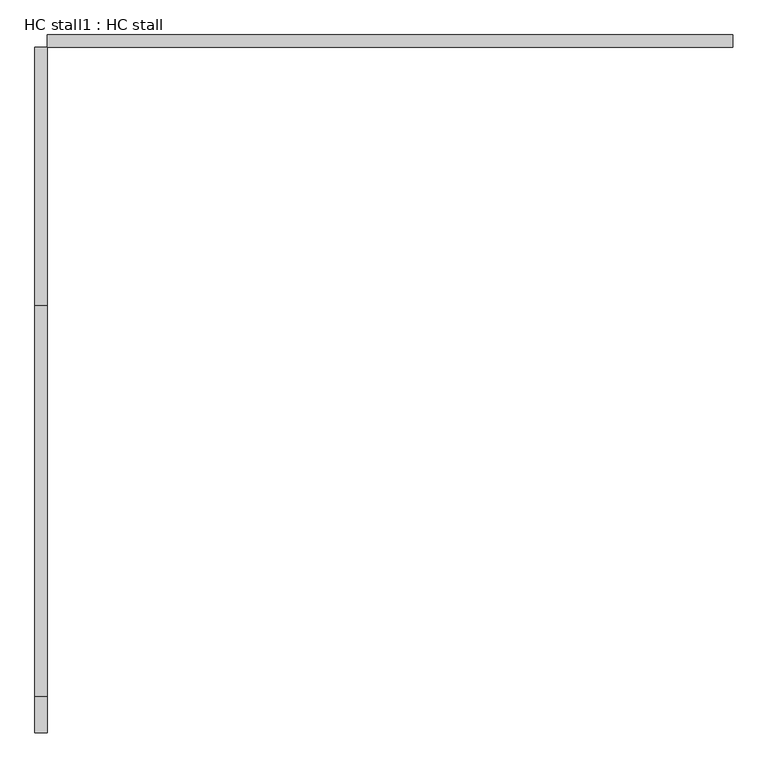
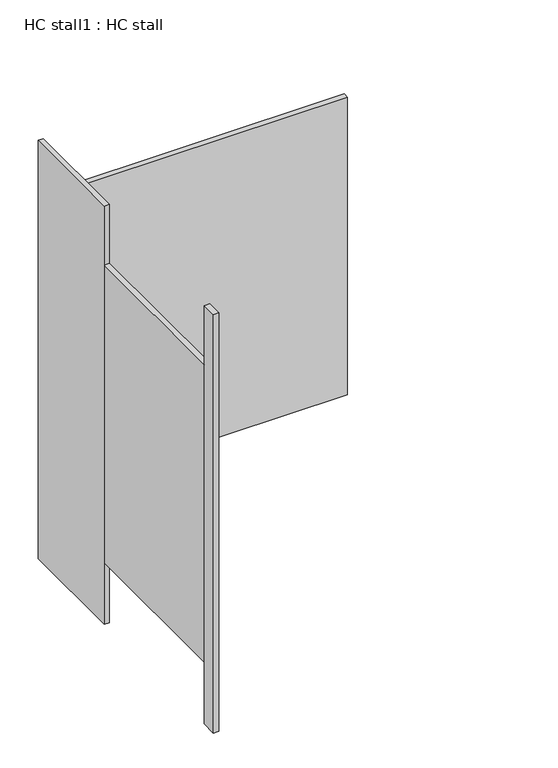
"""IFC4 building model written with IfcOpenShell, lengths in millimetres: proxy geometry, HC stall1 : HC stall."""

import ifcopenshell
import ifcopenshell.guid

model = None  # the IFC model being written
_history = None  # IfcOwnerHistory: only IFC2X3 demands one
_inside = {}  # id of a spatial element -> (the spatial element, [elements in it])
_under = {}  # id of a project, library or spatial element -> (it, [spatial elements below it])
_declared = {}  # id of a project -> (the project, [libraries it declares])
_typed = {}  # id of a type object -> (the type object, [elements of that type])
_made_of = {}  # id of a material, layer set ... -> (it, [elements and type objects made of it])


def new_model(schema):
    """Start an empty IFC model of exactly this schema.

    Asked for "IFC4X3", IfcOpenShell would pick the latest addendum, in which some entities
    have other attributes; the version numbers below select the first issue.
    IFC2X3 requires an IfcOwnerHistory on every rooted entity: one is made here for all.
    """
    global model, _history
    if schema == "IFC4X3":
        model = ifcopenshell.file(schema_version=(4, 3, 0, 0))
    else:
        model = ifcopenshell.file(schema=schema)
    _inside.clear()
    _under.clear()
    _declared.clear()
    _typed.clear()
    _made_of.clear()
    _history = None
    if model.schema == "IFC2X3":
        org = make("IfcOrganization", Name="unknown")
        user = make(
            "IfcPersonAndOrganization",
            ThePerson=make("IfcPerson", FamilyName="unknown"),
            TheOrganization=org,
        )
        app = make(
            "IfcApplication",
            ApplicationDeveloper=org,
            Version="unknown",
            ApplicationFullName="unknown",
            ApplicationIdentifier="unknown",
        )
        _history = make(
            "IfcOwnerHistory",
            OwningUser=user,
            OwningApplication=app,
            ChangeAction="ADDED",
            CreationDate=0,
        )
    return model


def make(cls, **values):
    """One entity of the class cls with the attributes given. An attribute that is None is left unset."""
    return model.create_entity(
        cls, **{name: value for name, value in values.items() if value is not None}
    )


def rooted(cls, **values):
    """An entity with a GlobalId (a new one), such as an element, a storey or a relation."""
    return make(cls, GlobalId=ifcopenshell.guid.new(), OwnerHistory=_history, **values)


def si_unit(unit_type, name, prefix=None):
    """IfcSIUnit, for example si_unit("LENGTHUNIT", "METRE", prefix="MILLI")."""
    return make("IfcSIUnit", UnitType=unit_type, Prefix=prefix, Name=name)


def assignment(units):
    """IfcUnitAssignment: the units of a project."""
    return None if units is None else make("IfcUnitAssignment", Units=units)


def point(xyz):
    """IfcCartesianPoint."""
    return None if xyz is None else make("IfcCartesianPoint", Coordinates=xyz)


def direction(xyz):
    """IfcDirection."""
    return None if xyz is None else make("IfcDirection", DirectionRatios=xyz)


def frame(location, z_axis=None, x_axis=None):
    """IfcAxis2Placement3D, a coordinate frame: its origin and axes. An axis left out is left unset."""
    return make(
        "IfcAxis2Placement3D",
        Location=point(location),
        Axis=direction(z_axis),
        RefDirection=direction(x_axis),
    )


def origin():
    """The frame at (0, 0, 0) with its axes left unset."""
    return frame((0.0, 0.0, 0.0))


def origin_with_axes():
    """The frame at (0, 0, 0) with the z axis (0, 0, 1) and the x axis (1, 0, 0) written out."""
    return frame((0.0, 0.0, 0.0), z_axis=(0.0, 0.0, 1.0), x_axis=(1.0, 0.0, 0.0))


def place(relative_to, where):
    """IfcLocalPlacement: puts the frame where relative to a parent placement (None: the world)."""
    return make(
        "IfcLocalPlacement", PlacementRelTo=relative_to, RelativePlacement=where
    )


def context(
    kind, dimensions, precision=None, world=None, true_north=None, identifier=None
):
    """IfcGeometricRepresentationContext, for example the 3D "Model" context."""
    return make(
        "IfcGeometricRepresentationContext",
        ContextIdentifier=identifier,
        ContextType=kind,
        CoordinateSpaceDimension=dimensions,
        Precision=precision,
        WorldCoordinateSystem=world,
        TrueNorth=true_north,
    )


def project(units=None, contexts=None):
    """IfcProject with its units and contexts."""
    return rooted(
        "IfcProject",
        Name="project",
        RepresentationContexts=contexts,
        UnitsInContext=assignment(units),
    )


def spatial(cls, under=None, at=None, **own):
    """A site, building, storey or space (cls), placed at a placement, below another one or the project."""
    s = rooted(cls, ObjectPlacement=at, **own)
    if under is not None:
        _under.setdefault(under.id(), (under, []))[1].append(s)
    return s


def polyline(points):
    """IfcPolyline through the points."""
    return make("IfcPolyline", Points=[point(p) for p in points])


def outline(outer, holes=None, kind="AREA"):
    """IfcArbitraryClosedProfileDef: a profile drawn as a closed curve; with holes, ...WithVoids."""
    if holes is None:
        return make("IfcArbitraryClosedProfileDef", ProfileType=kind, OuterCurve=outer)
    return make(
        "IfcArbitraryProfileDefWithVoids",
        ProfileType=kind,
        OuterCurve=outer,
        InnerCurves=holes,
    )


def extrude(swept, where, along, depth):
    """IfcExtrudedAreaSolid: the profile swept, set in the frame where, extruded along a direction by depth."""
    return make(
        "IfcExtrudedAreaSolid",
        SweptArea=swept,
        Position=where,
        ExtrudedDirection=direction(along),
        Depth=depth,
    )


def shape(context_of_items, identifier, shape_type, items):
    """IfcShapeRepresentation: the items that make up one representation, for example the "Body"."""
    return make(
        "IfcShapeRepresentation",
        ContextOfItems=context_of_items,
        RepresentationIdentifier=identifier,
        RepresentationType=shape_type,
        Items=items,
    )


def source(mapping_origin, context_of_items, identifier, shape_type, items):
    """IfcRepresentationMap: a shape defined once, which mapped items show again and again."""
    return make(
        "IfcRepresentationMap",
        MappingOrigin=mapping_origin,
        MappedRepresentation=shape(context_of_items, identifier, shape_type, items),
    )


def transform(
    local_origin,
    x_axis=None,
    y_axis=None,
    z_axis=None,
    scale=None,
    scale2=None,
    scale3=None,
    uniform=True,
):
    """IfcCartesianTransformationOperator3D, or its non-uniform kind. x_axis, y_axis, z_axis: its Axis1, 2, 3."""
    if uniform:
        return make(
            "IfcCartesianTransformationOperator3D",
            Axis1=direction(x_axis),
            Axis2=direction(y_axis),
            LocalOrigin=point(local_origin),
            Scale=scale,
            Axis3=direction(z_axis),
        )
    return make(
        "IfcCartesianTransformationOperator3DnonUniform",
        Axis1=direction(x_axis),
        Axis2=direction(y_axis),
        LocalOrigin=point(local_origin),
        Scale=scale,
        Axis3=direction(z_axis),
        Scale2=scale2,
        Scale3=scale3,
    )


def mapped(mapping_source, mapping_target):
    """IfcMappedItem: shows the shape of a source again, moved by a transform."""
    return make(
        "IfcMappedItem", MappingSource=mapping_source, MappingTarget=mapping_target
    )


def made_of(thing, what):
    """Note that an element or type object is made of a material, layer set ...; save() writes the relation."""
    if what is not None:
        _made_of.setdefault(what.id(), (what, []))[1].append(thing)
    return thing


def element(
    cls,
    number,
    at=None,
    inside=None,
    cuts=None,
    type_object=None,
    material=None,
    context=None,
    identifier="Body",
    shape_type=None,
    held_by="IfcProductDefinitionShape",
    body=None,
    shapes=None,
    **own,
):
    """One element of the class cls, such as IfcWall. Its Tag is "e" and its number.

    at: its placement. inside: the storey or other place that contains it. cuts: it is an
    opening in that element (IfcRelVoidsElement). A single representation is given by context,
    identifier, shape_type and body (its items); several are given by shapes. held_by: the class
    of the entity that holds the representations. save() writes the other relations.
    """
    e = rooted(cls, Tag="e%d" % number, ObjectPlacement=at, **own)
    if body is not None:
        shapes = [shape(context, identifier, shape_type, body)]
    if shapes is not None:
        e.Representation = make(held_by, Representations=shapes)
    if inside is not None:
        _inside.setdefault(inside.id(), (inside, []))[1].append(e)
    if cuts is not None:
        rooted(
            "IfcRelVoidsElement", RelatingBuildingElement=cuts, RelatedOpeningElement=e
        )
    if type_object is not None:
        _typed.setdefault(type_object.id(), (type_object, []))[1].append(e)
    return made_of(e, material)


def aggregate(whole, parts):
    """IfcRelAggregates: a whole, such as a stair, and the parts it consists of."""
    return rooted("IfcRelAggregates", RelatingObject=whole, RelatedObjects=parts)


def save(model, path):
    """Write the relations noted so far, then the file.

    IfcRelAggregates (storeys below a building ...), IfcRelContainedInSpatialStructure (elements
    in a storey), IfcRelDefinesByType, IfcRelAssociatesMaterial and IfcRelDeclares: one each for
    every whole, place, type object, material and project.
    """
    for whole, parts in _under.values():
        aggregate(whole, parts)
    for where, things in _inside.values():
        rooted(
            "IfcRelContainedInSpatialStructure",
            RelatedElements=things,
            RelatingStructure=where,
        )
    for kind, things in _typed.values():
        rooted("IfcRelDefinesByType", RelatedObjects=things, RelatingType=kind)
    for what, things in _made_of.values():
        rooted("IfcRelAssociatesMaterial", RelatedObjects=things, RelatingMaterial=what)
    for by, libraries in _declared.values():
        rooted("IfcRelDeclares", RelatingContext=by, RelatedDefinitions=libraries)
    model.write(path)


def hc_stall1_hc_stall_f70a9da1(model_context):
    return source(origin(), model_context, "Body", "SweptSolid", [
        extrude(outline(polyline([(457706.2004676, -334669.6205223), (457680.8004676, -334669.6205223), (457680.8004676, -334134.6330223), (457706.2004676, -334134.6330223), (457706.2004676, -334669.6205223)])), origin_with_axes(), (0.0, 0.0, 1.0), 2070.1),
        extrude(outline(polyline([(457706.2004676, -335557.0330223), (457680.8004676, -335557.0330223), (457680.8004676, -335482.4205223), (457706.2004676, -335482.4205223), (457706.2004676, -335557.0330223)])), origin_with_axes(), (0.0, 0.0, 1.0), 2070.1),
        extrude(outline(polyline([(459128.6004676, -334109.2330223), (459128.6004676, -334134.6330223), (457706.2004676, -334134.6330223), (457706.2004676, -334109.2330223), (459128.6004676, -334109.2330223)])), frame((0.0, 0.0, 304.8), z_axis=(0.0, 0.0, 1.0), x_axis=(1.0, 0.0, 0.0)), (0.0, 0.0, 1.0), 1473.2),
        extrude(outline(polyline([(457706.2004676, -335482.4205223), (457680.8004676, -335482.4205223), (457680.8004676, -334669.6205223), (457706.2004676, -334669.6205223), (457706.2004676, -335482.4205223)])), frame((0.0, 0.0, 304.8), z_axis=(0.0, 0.0, 1.0), x_axis=(1.0, 0.0, 0.0)), (0.0, 0.0, 1.0), 1473.2),
    ])


if __name__ == "__main__":
    model = new_model("IFC4")
    model_context = context("Model", 3, world=origin())
    ifc_project = project(units=[si_unit("LENGTHUNIT", "METRE", prefix="MILLI")], contexts=[model_context])
    site = spatial("IfcSite", under=ifc_project)
    building = spatial("IfcBuilding", under=site)
    placement = place(None, origin())
    hc_stall1_hc_stall_shape = hc_stall1_hc_stall_f70a9da1(model_context)
    element("IfcBuildingElementProxy", 1, Name="HC stall1 : HC stall", ObjectType="HC stall1 : HC stall", at=placement, inside=building, context=model_context, shape_type="MappedRepresentation", body=[
        mapped(hc_stall1_hc_stall_shape, transform((0.0, 0.0, 0.0), x_axis=(1.0, 0.0, 0.0), y_axis=(0.0, 1.0, 0.0), z_axis=(0.0, 0.0, 1.0))),
    ])
    save(model, "model.ifc")
